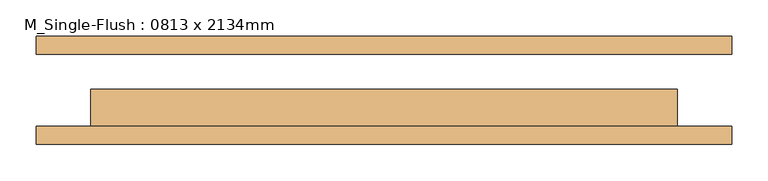
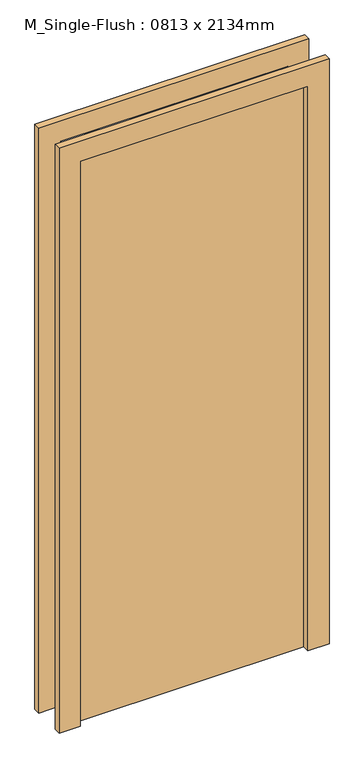
"""IFC4 building model written with IfcOpenShell, lengths in millimetres: door geometry, M_Single-Flush : 0813 x 2134mm."""

from ifc_helpers import new_model, si_unit, frame, origin, origin_with_axes, place, context, project, spatial, polyline, outline, extrude, source, transform, mapped, element, save


def m_single_flush_0813_x_2134mm_befe4dd2(model_context):
    return source(origin(), model_context, "Body", "SweptSolid", [
        extrude(outline(polyline([(2210.0, -482.5), (0.0, -482.5), (0.0, -406.5), (2134.0, -406.5), (2134.0, 406.5), (0.0, 406.5), (0.0, 482.5), (2210.0, 482.5), (2210.0, -482.5)])), frame((0.0, -75.0, 0.0), z_axis=(0.0, 1.0, 0.0), x_axis=(0.0, 0.0, 1.0)), (0.0, 0.0, 1.0), 25.0),
        extrude(outline(polyline([(2210.0, 482.5), (2210.0, -482.5), (0.0, -482.5), (0.0, -406.5), (2134.0, -406.5), (2134.0, 406.5), (0.0, 406.5), (0.0, 482.5), (2210.0, 482.5)])), frame((0.0, 50.0, 0.0), z_axis=(0.0, 1.0, 0.0), x_axis=(0.0, 0.0, 1.0)), (0.0, 0.0, 1.0), 25.0),
        extrude(outline(polyline([(406.5, 1.0), (406.5, -50.0), (-406.5, -50.0), (-406.5, 1.0), (406.5, 1.0)])), origin_with_axes(), (0.0, 0.0, 1.0), 2134.0),
    ])


if __name__ == "__main__":
    model = new_model("IFC4")
    model_context = context("Model", 3, world=origin())
    ifc_project = project(units=[si_unit("LENGTHUNIT", "METRE", prefix="MILLI")], contexts=[model_context])
    site = spatial("IfcSite", under=ifc_project)
    building = spatial("IfcBuilding", under=site)
    placement = place(None, origin())
    m_single_flush_0813_x_2134mm_shape = m_single_flush_0813_x_2134mm_befe4dd2(model_context)
    element("IfcDoor", 1, ObjectType="M_Single-Flush : 0813 x 2134mm", at=placement, inside=building, context=model_context, shape_type="MappedRepresentation", body=[
        mapped(m_single_flush_0813_x_2134mm_shape, transform((0.0, 0.0, 0.0), x_axis=(1.0, 0.0, 0.0), y_axis=(0.0, 1.0, 0.0), z_axis=(0.0, 0.0, 1.0))),
    ])
    save(model, "model.ifc")
